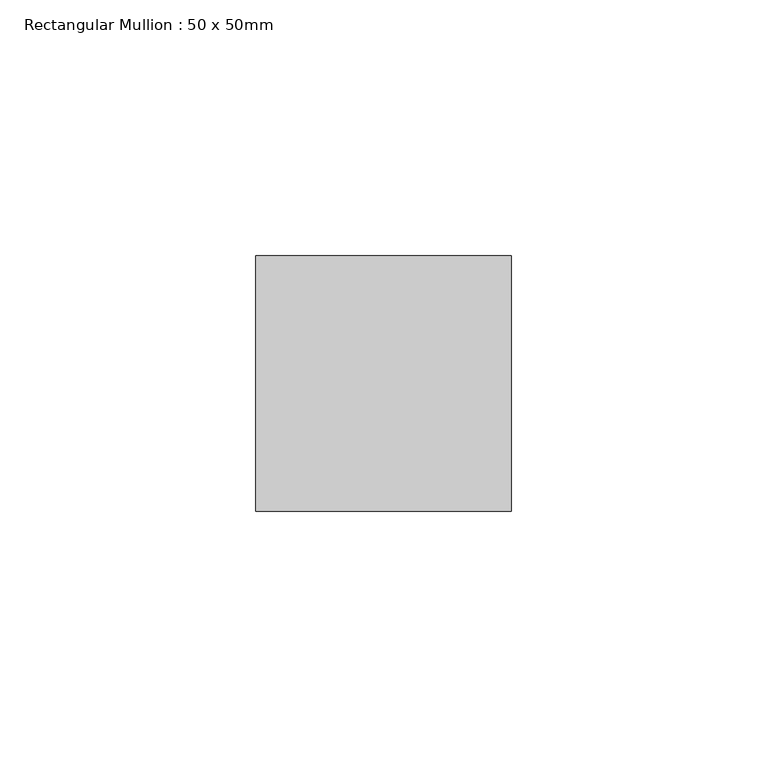
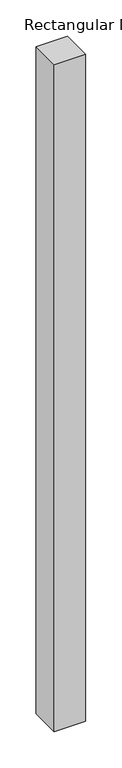
"""IFC4 building model written with IfcOpenShell, lengths in millimetres: member geometry, Rectangular Mullion : 50 x 50mm."""

from ifc_helpers import new_model, si_unit, frame, origin, place, context, project, spatial, polyline, outline, extrude, source, transform, mapped, element, save


def rectangular_mullion_50_x_50mm_da0de453(model_context):
    return source(origin(), model_context, "Body", "SweptSolid", [
        extrude(outline(polyline([(0.0, 50.0), (0.0, 0.0), (-50.0, 0.0), (-50.0, 50.0), (0.0, 50.0)])), frame((0.0, 0.0, -1121.0), z_axis=(0.0, 0.0, 1.0), x_axis=(1.0, 0.0, 0.0)), (0.0, 0.0, 1.0), 1121.0),
    ])


if __name__ == "__main__":
    model = new_model("IFC4")
    model_context = context("Model", 3, world=origin())
    ifc_project = project(units=[si_unit("LENGTHUNIT", "METRE", prefix="MILLI")], contexts=[model_context])
    site = spatial("IfcSite", under=ifc_project)
    building = spatial("IfcBuilding", under=site)
    placement = place(None, origin())
    rectangular_mullion_50_x_50mm_shape = rectangular_mullion_50_x_50mm_da0de453(model_context)
    element("IfcMember", 1, ObjectType="Rectangular Mullion : 50 x 50mm", at=placement, inside=building, context=model_context, shape_type="MappedRepresentation", body=[
        mapped(rectangular_mullion_50_x_50mm_shape, transform((0.0, 0.0, 0.0), x_axis=(1.0, 0.0, 0.0), y_axis=(0.0, 1.0, 0.0), z_axis=(0.0, 0.0, 1.0))),
    ])
    save(model, "model.ifc")
